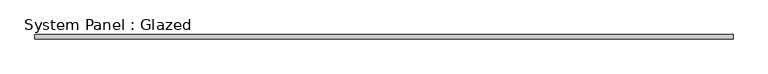
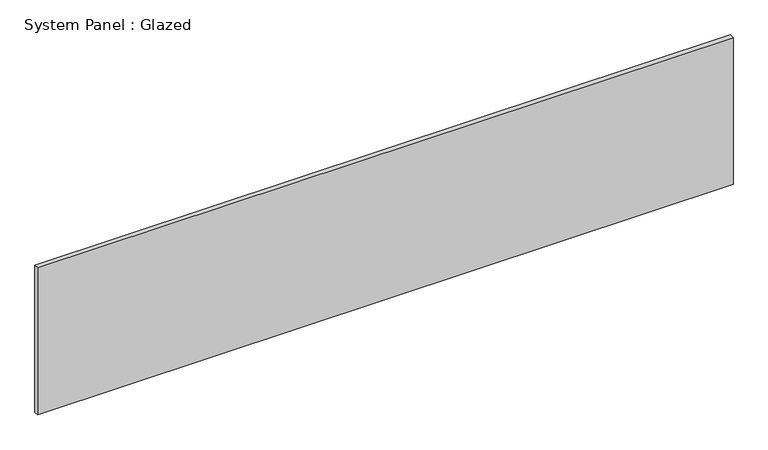
"""IFC4 building model written with IfcOpenShell, lengths in millimetres: plate geometry, System Panel : Glazed."""

from ifc_helpers import new_model, si_unit, origin, origin_with_axes, place, context, project, spatial, polyline, outline, extrude, source, transform, mapped, element, save


def system_panel_glazed_525c4741(model_context):
    return source(origin(), model_context, "Body", "SweptSolid", [
        extrude(outline(polyline([(1902.6385932, 24.5), (-1902.6385932, 24.5), (-1902.6385932, 49.5), (1902.6385932, 49.5), (1902.6385932, 24.5)])), origin_with_axes(), (0.0, 0.0, 1.0), 850.0),
    ])


if __name__ == "__main__":
    model = new_model("IFC4")
    model_context = context("Model", 3, world=origin())
    ifc_project = project(units=[si_unit("LENGTHUNIT", "METRE", prefix="MILLI")], contexts=[model_context])
    site = spatial("IfcSite", under=ifc_project)
    building = spatial("IfcBuilding", under=site)
    placement = place(None, origin())
    system_panel_glazed_shape = system_panel_glazed_525c4741(model_context)
    element("IfcPlate", 1, ObjectType="System Panel : Glazed", at=placement, inside=building, context=model_context, shape_type="MappedRepresentation", body=[
        mapped(system_panel_glazed_shape, transform((0.0, 0.0, 0.0), x_axis=(1.0, 0.0, 0.0), y_axis=(0.0, 1.0, 0.0), z_axis=(0.0, 0.0, 1.0))),
    ])
    save(model, "model.ifc")
